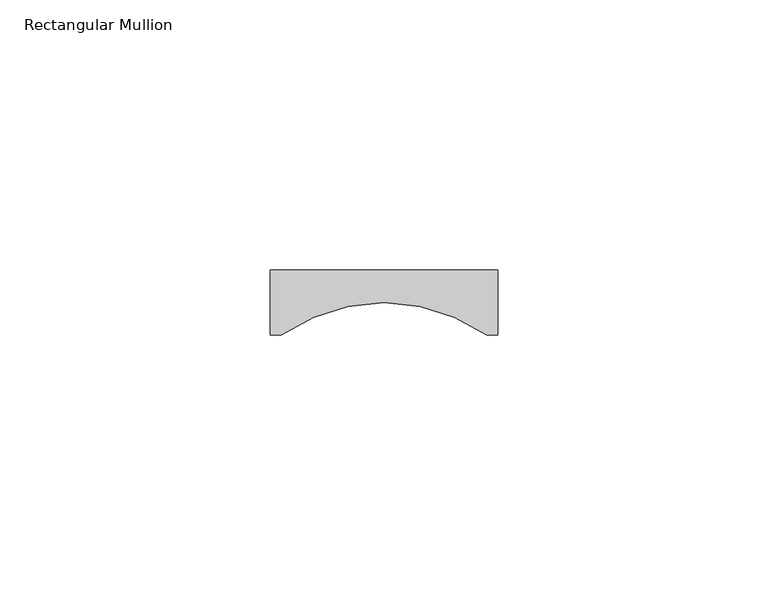
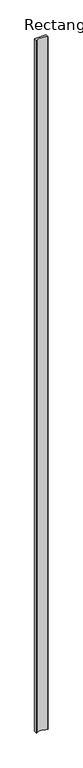
"""IFC4 building model written with IfcOpenShell, lengths in millimetres: member geometry, Rectangular Mullion."""

from ifc_helpers import new_model, si_unit, point, frame, frame_2d, origin, place, context, project, spatial, polyline, circle_curve, trimmed, segment, composite_curve, outline, extrude, source, transform, mapped, element, save


def rectangular_mullion_061e4e1d(model_context):
    return source(origin(), model_context, "Body", "SweptSolid", [
        extrude(outline(composite_curve([segment(polyline([(-21.0, -12.0), (-21.0, 0.0), (21.0, 0.0), (21.0, -12.0), (19.0, -12.0)]), True, "CONTINUOUS"), segment(trimmed(circle_curve(frame_2d((0.0, -39.0290149)), 33.0388808), [point((19.0, -12.0))], [point((-19.0, -12.0))], True, "CARTESIAN"), True, "CONTINUOUS"), segment(polyline([(-19.0, -12.0), (-21.0, -12.0)]), True, "CONTINUOUS")], self_intersect=False)), frame((0.0, 0.0, -2700.0), z_axis=(0.0, 0.0, 1.0), x_axis=(1.0, 0.0, 0.0)), (0.0, 0.0, 1.0), 2700.0),
    ])


if __name__ == "__main__":
    model = new_model("IFC4")
    model_context = context("Model", 3, world=origin())
    ifc_project = project(units=[si_unit("LENGTHUNIT", "METRE", prefix="MILLI")], contexts=[model_context])
    site = spatial("IfcSite", under=ifc_project)
    building = spatial("IfcBuilding", under=site)
    placement = place(None, origin())
    rectangular_mullion_shape = rectangular_mullion_061e4e1d(model_context)
    element("IfcMember", 1, ObjectType="Rectangular Mullion", at=placement, inside=building, context=model_context, shape_type="MappedRepresentation", body=[
        mapped(rectangular_mullion_shape, transform((0.0, 0.0, 0.0), x_axis=(1.0, 0.0, 0.0), y_axis=(0.0, 1.0, 0.0), z_axis=(0.0, 0.0, 1.0))),
    ])
    save(model, "model.ifc")
